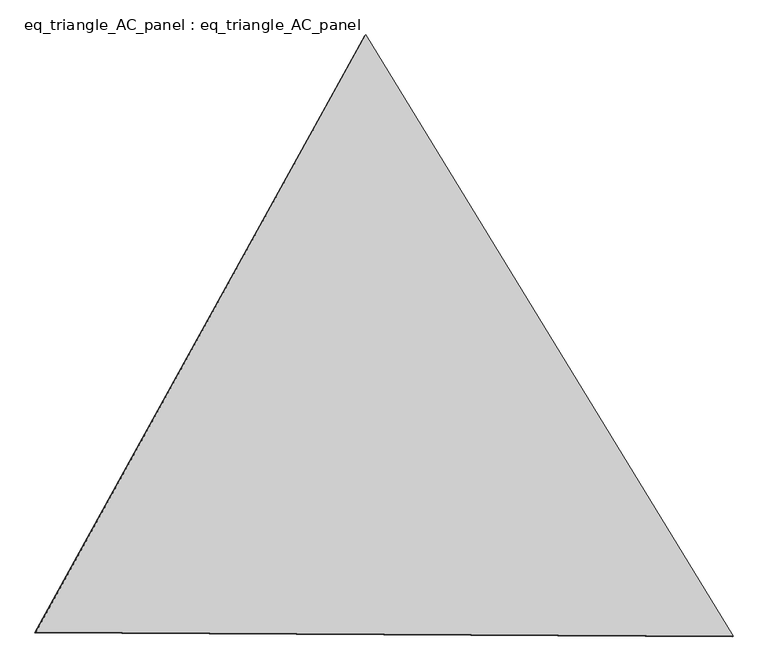
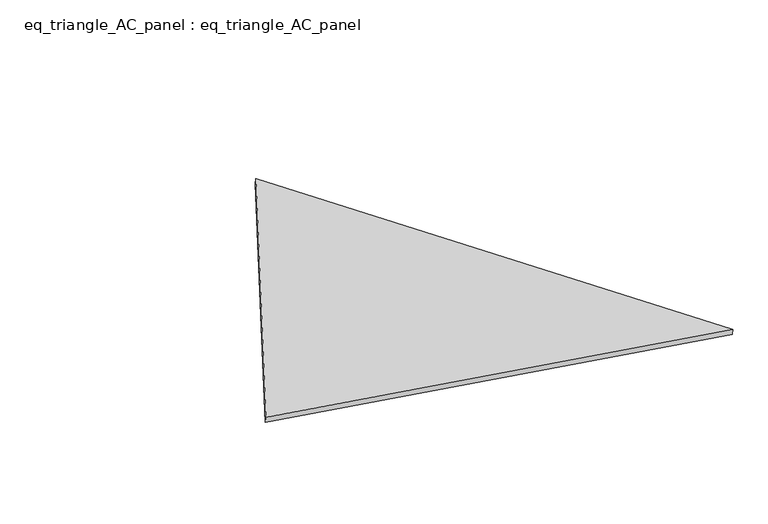
"""IFC4 building model written with IfcOpenShell, lengths in millimetres: proxy geometry, eq_triangle_AC_panel : eq_triangle_AC_panel."""

from ifc_helpers import new_model, si_unit, frame, origin, place, context, project, spatial, polyline, outline, extrude, source, transform, mapped, element, save


def eq_triangle_ac_panel_eq_triangle_ac_panel_dac77552(model_context):
    return source(origin(), model_context, "Body", "SweptSolid", [
        extrude(outline(polyline([(-2032.8306629, 1173.1700195), (2091.2842302, 1173.1700195), (-58.4535674, -2346.3400392), (-2032.8306629, 1173.1700195)])), frame((-6.3631761, 524.2531996, 46.6143561), z_axis=(0.14526328518056958, 0.08386570281799959, 0.9858321976225931), x_axis=(0.5211103640700763, -0.853479066954122, -0.0041798002193893045)), (0.0, 0.0, 1.0), 43.8306294),
    ])


if __name__ == "__main__":
    model = new_model("IFC4")
    model_context = context("Model", 3, world=origin())
    ifc_project = project(units=[si_unit("LENGTHUNIT", "METRE", prefix="MILLI")], contexts=[model_context])
    site = spatial("IfcSite", under=ifc_project)
    building = spatial("IfcBuilding", under=site)
    placement = place(None, origin())
    eq_triangle_ac_panel_eq_triangle_ac_panel_shape = eq_triangle_ac_panel_eq_triangle_ac_panel_dac77552(model_context)
    element("IfcBuildingElementProxy", 1, Name="eq_triangle_AC_panel : eq_triangle_AC_panel", ObjectType="eq_triangle_AC_panel : eq_triangle_AC_panel", at=placement, inside=building, context=model_context, shape_type="MappedRepresentation", body=[
        mapped(eq_triangle_ac_panel_eq_triangle_ac_panel_shape, transform((0.0, 0.0, 0.0), x_axis=(1.0, 0.0, 0.0), y_axis=(0.0, 1.0, 0.0), z_axis=(0.0, 0.0, 1.0))),
    ])
    save(model, "model.ifc")
